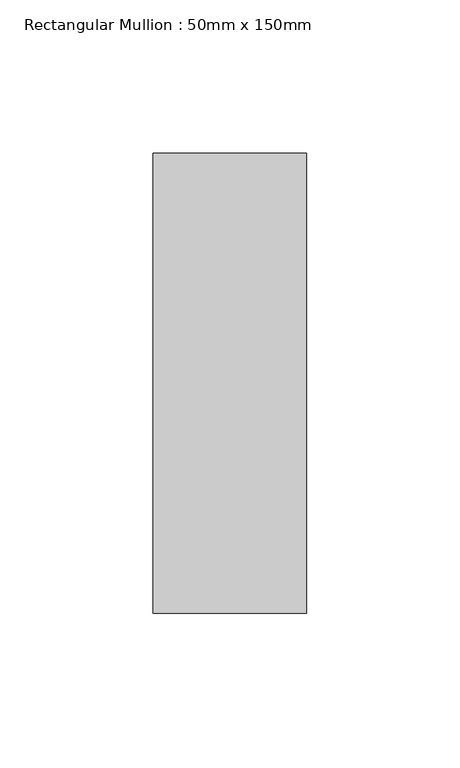
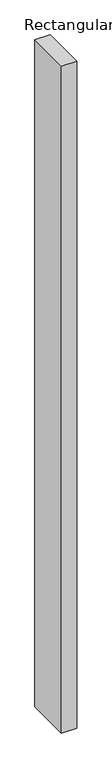
"""IFC4 building model written with IfcOpenShell, lengths in millimetres: member geometry, Rectangular Mullion : 50mm x 150mm."""

from ifc_helpers import new_model, si_unit, frame, origin, place, context, project, spatial, polyline, outline, extrude, source, transform, mapped, element, save


def rectangular_mullion_50mm_x_150mm_8073e944(model_context):
    return source(origin(), model_context, "Body", "SweptSolid", [
        extrude(outline(polyline([(0.0, 75.0), (0.0, -75.0), (-50.0, -75.0), (-50.0, 75.0), (0.0, 75.0)])), frame((0.0, 0.0, -2305.4277428), z_axis=(0.0, 0.0, 1.0), x_axis=(1.0, 0.0, 0.0)), (0.0, 0.0, 1.0), 2305.4277428),
    ])


if __name__ == "__main__":
    model = new_model("IFC4")
    model_context = context("Model", 3, world=origin())
    ifc_project = project(units=[si_unit("LENGTHUNIT", "METRE", prefix="MILLI")], contexts=[model_context])
    site = spatial("IfcSite", under=ifc_project)
    building = spatial("IfcBuilding", under=site)
    placement = place(None, origin())
    rectangular_mullion_50mm_x_150mm_shape = rectangular_mullion_50mm_x_150mm_8073e944(model_context)
    element("IfcMember", 1, ObjectType="Rectangular Mullion : 50mm x 150mm", at=placement, inside=building, context=model_context, shape_type="MappedRepresentation", body=[
        mapped(rectangular_mullion_50mm_x_150mm_shape, transform((0.0, 0.0, 0.0), x_axis=(1.0, 0.0, 0.0), y_axis=(0.0, 1.0, 0.0), z_axis=(0.0, 0.0, 1.0))),
    ])
    save(model, "model.ifc")
